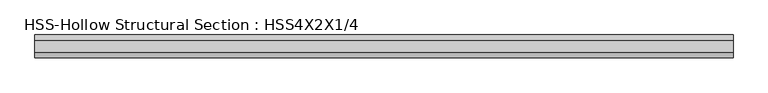
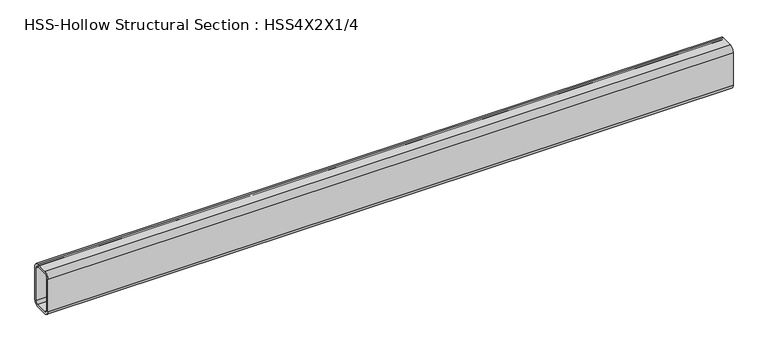
"""IFC4 building model written with IfcOpenShell, lengths in millimetres: beam geometry, HSS-Hollow Structural Section : HSS4X2X1/4."""

from ifc_helpers import new_model, si_unit, point, frame, frame_2d, origin, place, context, project, spatial, polyline, circle_curve, trimmed, segment, composite_curve, outline, extrude, source, transform, mapped, element, save


def hss_hollow_structural_section_hss4x2x1_4_7f6830c2(model_context):
    return source(origin(), model_context, "Body", "SweptSolid", [
        extrude(outline(composite_curve([segment(polyline([(25.4, 38.9636), (25.4, -38.9636)]), True, "CONTINUOUS"), segment(trimmed(circle_curve(frame_2d((13.5636, -38.9636)), 11.8364), [point((25.4, -38.9636))], [point((13.5636, -50.8))], False, "CARTESIAN"), True, "CONTINUOUS"), segment(polyline([(13.5636, -50.8), (-13.5636, -50.8)]), True, "CONTINUOUS"), segment(trimmed(circle_curve(frame_2d((-13.5636, -38.9636)), 11.8364), [point((-13.5636, -50.8))], [point((-25.4, -38.9636))], False, "CARTESIAN"), True, "CONTINUOUS"), segment(polyline([(-25.4, -38.9636), (-25.4, 38.9636)]), True, "CONTINUOUS"), segment(trimmed(circle_curve(frame_2d((-13.5636, 38.9636)), 11.8364), [point((-25.4, 38.9636))], [point((-13.5636, 50.8))], False, "CARTESIAN"), True, "CONTINUOUS"), segment(polyline([(-13.5636, 50.8), (13.5636, 50.8)]), True, "CONTINUOUS"), segment(trimmed(circle_curve(frame_2d((13.5636, 38.9636)), 11.8364), [point((13.5636, 50.8))], [point((25.4, 38.9636))], False, "CARTESIAN"), True, "CONTINUOUS")], self_intersect=False), holes=[composite_curve([segment(trimmed(circle_curve(frame_2d((-13.5636, 38.9636)), 5.9182), [point((-13.5636, 44.8818))], [point((-19.4818, 38.9636))], True, "CARTESIAN"), True, "CONTINUOUS"), segment(polyline([(-19.4818, 38.9636), (-19.4818, -38.9636)]), True, "CONTINUOUS"), segment(trimmed(circle_curve(frame_2d((-13.5636, -38.9636)), 5.9182), [point((-19.4818, -38.9636))], [point((-13.5636, -44.8818))], True, "CARTESIAN"), True, "CONTINUOUS"), segment(polyline([(-13.5636, -44.8818), (13.5636, -44.8818)]), True, "CONTINUOUS"), segment(trimmed(circle_curve(frame_2d((13.5636, -38.9636)), 5.9182), [point((13.5636, -44.8818))], [point((19.4818, -38.9636))], True, "CARTESIAN"), True, "CONTINUOUS"), segment(polyline([(19.4818, -38.9636), (19.4818, 38.9636)]), True, "CONTINUOUS"), segment(trimmed(circle_curve(frame_2d((13.5636, 38.9636)), 5.9182), [point((19.4818, 38.9636))], [point((13.5636, 44.8818))], True, "CARTESIAN"), True, "CONTINUOUS"), segment(polyline([(13.5636, 44.8818), (-13.5636, 44.8818)]), True, "CONTINUOUS")], self_intersect=False)]), frame((-775.843, 0.0, 0.0), z_axis=(1.0, 0.0, 0.0), x_axis=(0.0, 1.0, 0.0)), (0.0, 0.0, 1.0), 1551.686),
    ])


if __name__ == "__main__":
    model = new_model("IFC4")
    model_context = context("Model", 3, world=origin())
    ifc_project = project(units=[si_unit("LENGTHUNIT", "METRE", prefix="MILLI")], contexts=[model_context])
    site = spatial("IfcSite", under=ifc_project)
    building = spatial("IfcBuilding", under=site)
    placement = place(None, origin())
    hss_hollow_structural_section_hss4x2x1_4_shape = hss_hollow_structural_section_hss4x2x1_4_7f6830c2(model_context)
    element("IfcBeam", 1, ObjectType="HSS-Hollow Structural Section : HSS4X2X1/4", at=placement, inside=building, context=model_context, shape_type="MappedRepresentation", body=[
        mapped(hss_hollow_structural_section_hss4x2x1_4_shape, transform((0.0, 0.0, 0.0), x_axis=(1.0, 0.0, 0.0), y_axis=(0.0, 1.0, 0.0), z_axis=(0.0, 0.0, 1.0))),
    ])
    save(model, "model.ifc")
